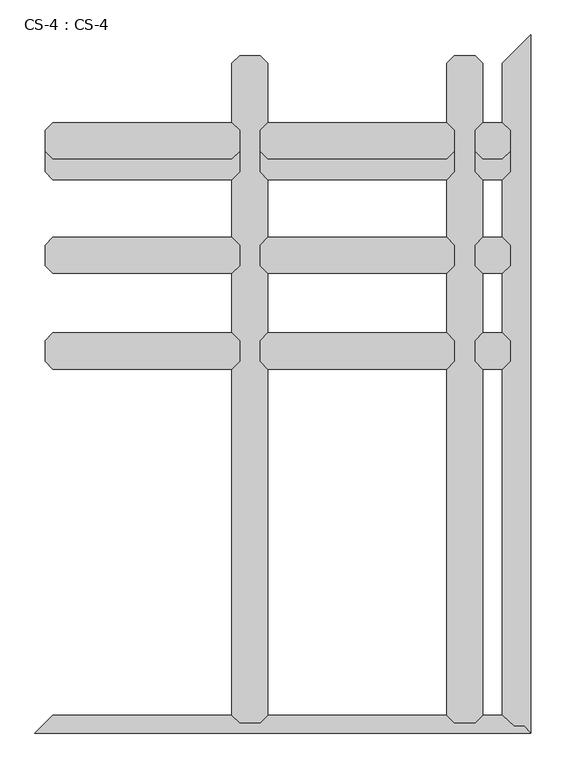
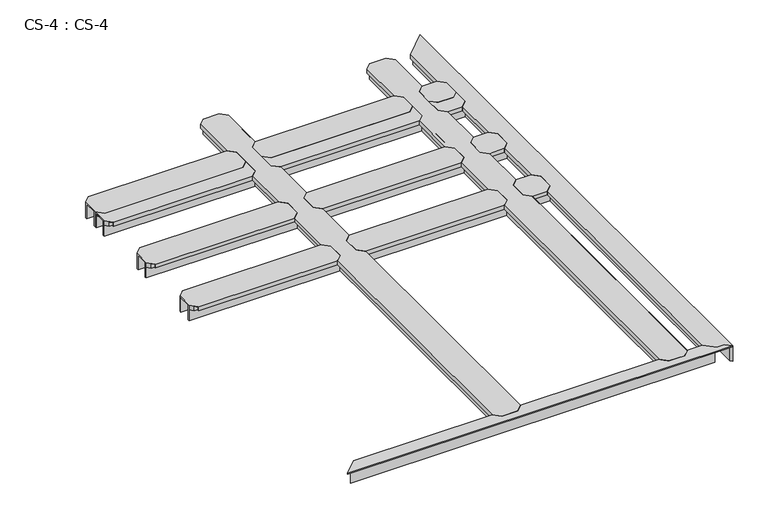
"""IFC4 building model written with IfcOpenShell, lengths in millimetres: proxy geometry, CS-4 : CS-4."""

from ifc_helpers import new_model, si_unit, origin, place, context, project, spatial, faceted_brep, source, transform, mapped, element, save


def cs_4_cs_4_f08a99d2(model_context):
    return source(origin(), model_context, "Body", "Brep", [
        faceted_brep([(1516.3803861, 1856.74, 46.355), (1516.3803861, 1856.74, 0.0), (1516.3803861, 1863.725, 0.0), (1516.3803861, 1863.725, 63.5), (1516.3803861, 1915.795, 63.5), (1516.3803861, 1915.795, 0.0), (1516.3803861, 1922.78, 0.0), (1516.3803861, 1922.78, 46.355), (1516.3803861, 1922.78, 66.675), (1516.3803861, 1856.74, 66.675), (1404.6202032, 1922.78, 46.355), (1404.6202032, 1922.78, 0.0), (1404.6202032, 1915.795, 0.0), (1404.6202032, 1915.795, 63.5), (1404.6202032, 1863.725, 63.5), (1404.6202032, 1863.725, 0.0), (1404.6202032, 1856.74, 0.0), (1404.6202032, 1856.74, 46.355), (1404.6202032, 1856.74, 66.675), (1404.6202032, 1922.78, 66.675), (1429.2582032, 1947.418, 66.675), (1491.7423861, 1947.418, 66.675), (1491.7423861, 1947.418, 49.8094), (1429.2582032, 1947.418, 49.8094), (1493.2663861, 1945.894, 49.8094), (1427.7342032, 1945.894, 49.8094), (1493.2663861, 1945.894, 64.643), (1427.7342032, 1945.894, 64.643), (1503.5533861, 1935.607, 64.643), (1417.4472032, 1935.607, 64.643), (1503.5533861, 1935.607, 46.355), (1417.4472032, 1935.607, 46.355), (1503.5533861, 1843.913, 46.355), (1417.4472032, 1843.913, 46.355), (1503.5533861, 1843.913, 64.643), (1417.4472032, 1843.913, 64.643), (1493.2663861, 1833.626, 64.643), (1427.7342032, 1833.626, 64.643), (1493.2663861, 1833.626, 49.8094), (1427.7342032, 1833.626, 49.8094), (1491.7423861, 1832.102, 49.8094), (1429.2582032, 1832.102, 49.8094), (1491.7423861, 1832.102, 66.675), (1429.2582032, 1832.102, 66.675)], [[[0, 1, 2, 3, 4, 5, 6, 7, 8, 9]], [[10, 11, 12, 13, 14, 15, 16, 17, 18, 19]], [[20, 21, 22, 23]], [[23, 22, 24, 25]], [[25, 24, 26, 27]], [[27, 26, 28, 29]], [[29, 28, 30, 31]], [[7, 10, 31, 30]], [[7, 6, 11, 10]], [[6, 5, 12, 11]], [[5, 4, 13, 12]], [[4, 3, 14, 13]], [[3, 2, 15, 14]], [[2, 1, 16, 15]], [[1, 0, 17, 16]], [[17, 0, 32, 33]], [[33, 32, 34, 35]], [[35, 34, 36, 37]], [[37, 36, 38, 39]], [[39, 38, 40, 41]], [[41, 40, 42, 43]], [[9, 8, 21, 20, 19, 18, 43, 42]], [[10, 19, 20, 23, 25, 27, 29, 31]], [[18, 17, 33, 35, 37, 39, 41, 43]], [[0, 9, 42, 40, 38, 36, 34, 32]], [[8, 7, 30, 28, 26, 24, 22, 21]]]),
        faceted_brep([(1338.5802032, 1856.74, 46.355), (1338.5802032, 1856.74, 0.0), (1338.5802032, 1863.725, 0.0), (1338.5802032, 1863.725, 63.5), (1338.5802032, 1915.795, 63.5), (1338.5802032, 1915.795, 0.0), (1338.5802032, 1922.78, 0.0), (1338.5802032, 1922.78, 46.355), (1338.5802032, 1922.78, 66.675), (1338.5802032, 1856.74, 66.675), (718.8201016, 1922.78, 46.355), (718.8201016, 1922.78, 0.0), (718.8201016, 1915.795, 0.0), (718.8201016, 1915.795, 63.5), (718.8201016, 1863.725, 63.5), (718.8201016, 1863.725, 0.0), (718.8201016, 1856.74, 0.0), (718.8201016, 1856.74, 46.355), (718.8201016, 1856.74, 66.675), (718.8201016, 1922.78, 66.675), (743.4581016, 1947.418, 66.675), (1313.9422032, 1947.418, 66.675), (1313.9422032, 1947.418, 49.8094), (743.4581016, 1947.418, 49.8094), (1315.4662032, 1945.894, 49.8094), (741.9341016, 1945.894, 49.8094), (1315.4662032, 1945.894, 64.643), (741.9341016, 1945.894, 64.643), (1325.7532032, 1935.607, 64.643), (731.6471016, 1935.607, 64.643), (1325.7532032, 1935.607, 46.355), (731.6471016, 1935.607, 46.355), (1325.7532032, 1843.913, 46.355), (731.6471016, 1843.913, 46.355), (1325.7532032, 1843.913, 64.643), (731.6471016, 1843.913, 64.643), (1315.4662032, 1833.626, 64.643), (741.9341016, 1833.626, 64.643), (1315.4662032, 1833.626, 49.8094), (741.9341016, 1833.626, 49.8094), (1313.9422032, 1832.102, 49.8094), (743.4581016, 1832.102, 49.8094), (1313.9422032, 1832.102, 66.675), (743.4581016, 1832.102, 66.675)], [[[0, 1, 2, 3, 4, 5, 6, 7, 8, 9]], [[10, 11, 12, 13, 14, 15, 16, 17, 18, 19]], [[20, 21, 22, 23]], [[23, 22, 24, 25]], [[25, 24, 26, 27]], [[27, 26, 28, 29]], [[29, 28, 30, 31]], [[7, 10, 31, 30]], [[7, 6, 11, 10]], [[6, 5, 12, 11]], [[5, 4, 13, 12]], [[4, 3, 14, 13]], [[3, 2, 15, 14]], [[2, 1, 16, 15]], [[1, 0, 17, 16]], [[17, 0, 32, 33]], [[33, 32, 34, 35]], [[35, 34, 36, 37]], [[37, 36, 38, 39]], [[39, 38, 40, 41]], [[41, 40, 42, 43]], [[9, 8, 21, 20, 19, 18, 43, 42]], [[10, 19, 20, 23, 25, 27, 29, 31]], [[18, 17, 33, 35, 37, 39, 41, 43]], [[0, 9, 42, 40, 38, 36, 34, 32]], [[8, 7, 30, 28, 26, 24, 22, 21]]]),
        faceted_brep([(652.7801016, 1856.74, 46.355), (652.7801016, 1856.74, 0.0), (652.7801016, 1863.725, 0.0), (652.7801016, 1863.725, 63.5), (652.7801016, 1915.795, 63.5), (652.7801016, 1915.795, 0.0), (652.7801016, 1922.78, 0.0), (652.7801016, 1922.78, 46.355), (652.7801016, 1922.78, 66.675), (652.7801016, 1856.74, 66.675), (33.02, 1922.78, 46.355), (33.02, 1922.78, 0.0), (33.02, 1915.795, 0.0), (33.02, 1915.795, 63.5), (33.02, 1863.725, 63.5), (33.02, 1863.725, 0.0), (33.02, 1856.74, 0.0), (33.02, 1856.74, 46.355), (33.02, 1856.74, 66.675), (33.02, 1922.78, 66.675), (57.658, 1947.418, 66.675), (628.1421016, 1947.418, 66.675), (628.1421016, 1947.418, 49.8094), (57.658, 1947.418, 49.8094), (629.6661016, 1945.894, 49.8094), (56.134, 1945.894, 49.8094), (629.6661016, 1945.894, 64.643), (56.134, 1945.894, 64.643), (639.9531016, 1935.607, 64.643), (45.847, 1935.607, 64.643), (639.9531016, 1935.607, 46.355), (45.847, 1935.607, 46.355), (639.9531016, 1843.913, 46.355), (45.847, 1843.913, 46.355), (639.9531016, 1843.913, 64.643), (45.847, 1843.913, 64.643), (629.6661016, 1833.626, 64.643), (56.134, 1833.626, 64.643), (629.6661016, 1833.626, 49.8094), (56.134, 1833.626, 49.8094), (628.1421016, 1832.102, 49.8094), (57.658, 1832.102, 49.8094), (628.1421016, 1832.102, 66.675), (57.658, 1832.102, 66.675)], [[[0, 1, 2, 3, 4, 5, 6, 7, 8, 9]], [[10, 11, 12, 13, 14, 15, 16, 17, 18, 19]], [[20, 21, 22, 23]], [[23, 22, 24, 25]], [[25, 24, 26, 27]], [[27, 26, 28, 29]], [[29, 28, 30, 31]], [[7, 10, 31, 30]], [[7, 6, 11, 10]], [[6, 5, 12, 11]], [[5, 4, 13, 12]], [[4, 3, 14, 13]], [[3, 2, 15, 14]], [[2, 1, 16, 15]], [[1, 0, 17, 16]], [[17, 0, 32, 33]], [[33, 32, 34, 35]], [[35, 34, 36, 37]], [[37, 36, 38, 39]], [[39, 38, 40, 41]], [[41, 40, 42, 43]], [[9, 8, 21, 20, 19, 18, 43, 42]], [[10, 19, 20, 23, 25, 27, 29, 31]], [[18, 17, 33, 35, 37, 39, 41, 43]], [[0, 9, 42, 40, 38, 36, 34, 32]], [[8, 7, 30, 28, 26, 24, 22, 21]]]),
        faceted_brep([(1516.3803861, 1790.7, 46.355), (1516.3803861, 1790.7, 0.0), (1516.3803861, 1797.685, 0.0), (1516.3803861, 1797.685, 63.5), (1516.3803861, 1849.755, 63.5), (1516.3803861, 1849.755, 0.0), (1516.3803861, 1856.74, 0.0), (1516.3803861, 1856.74, 46.355), (1516.3803861, 1856.74, 66.675), (1516.3803861, 1790.7, 66.675), (1404.6202032, 1856.74, 46.355), (1404.6202032, 1856.74, 0.0), (1404.6202032, 1849.755, 0.0), (1404.6202032, 1849.755, 63.5), (1404.6202032, 1797.685, 63.5), (1404.6202032, 1797.685, 0.0), (1404.6202032, 1790.7, 0.0), (1404.6202032, 1790.7, 46.355), (1404.6202032, 1790.7, 66.675), (1404.6202032, 1856.74, 66.675), (1429.2582032, 1881.378, 66.675), (1491.7423861, 1881.378, 66.675), (1491.7423861, 1881.378, 49.8094), (1429.2582032, 1881.378, 49.8094), (1493.2663861, 1879.854, 49.8094), (1427.7342032, 1879.854, 49.8094), (1493.2663861, 1879.854, 64.643), (1427.7342032, 1879.854, 64.643), (1503.5533861, 1869.567, 64.643), (1417.4472032, 1869.567, 64.643), (1503.5533861, 1869.567, 46.355), (1417.4472032, 1869.567, 46.355), (1503.5533861, 1777.873, 46.355), (1417.4472032, 1777.873, 46.355), (1503.5533861, 1777.873, 64.643), (1417.4472032, 1777.873, 64.643), (1493.2663861, 1767.586, 64.643), (1427.7342032, 1767.586, 64.643), (1493.2663861, 1767.586, 49.8094), (1427.7342032, 1767.586, 49.8094), (1491.7423861, 1766.062, 49.8094), (1429.2582032, 1766.062, 49.8094), (1491.7423861, 1766.062, 66.675), (1429.2582032, 1766.062, 66.675)], [[[0, 1, 2, 3, 4, 5, 6, 7, 8, 9]], [[10, 11, 12, 13, 14, 15, 16, 17, 18, 19]], [[20, 21, 22, 23]], [[23, 22, 24, 25]], [[25, 24, 26, 27]], [[27, 26, 28, 29]], [[29, 28, 30, 31]], [[7, 10, 31, 30]], [[7, 6, 11, 10]], [[6, 5, 12, 11]], [[5, 4, 13, 12]], [[4, 3, 14, 13]], [[3, 2, 15, 14]], [[2, 1, 16, 15]], [[1, 0, 17, 16]], [[17, 0, 32, 33]], [[33, 32, 34, 35]], [[35, 34, 36, 37]], [[37, 36, 38, 39]], [[39, 38, 40, 41]], [[41, 40, 42, 43]], [[9, 8, 21, 20, 19, 18, 43, 42]], [[10, 19, 20, 23, 25, 27, 29, 31]], [[18, 17, 33, 35, 37, 39, 41, 43]], [[0, 9, 42, 40, 38, 36, 34, 32]], [[8, 7, 30, 28, 26, 24, 22, 21]]]),
        faceted_brep([(1338.5802032, 1790.7, 46.355), (1338.5802032, 1790.7, 0.0), (1338.5802032, 1797.685, 0.0), (1338.5802032, 1797.685, 63.5), (1338.5802032, 1849.755, 63.5), (1338.5802032, 1849.755, 0.0), (1338.5802032, 1856.74, 0.0), (1338.5802032, 1856.74, 46.355), (1338.5802032, 1856.74, 66.675), (1338.5802032, 1790.7, 66.675), (718.8201016, 1856.74, 46.355), (718.8201016, 1856.74, 0.0), (718.8201016, 1849.755, 0.0), (718.8201016, 1849.755, 63.5), (718.8201016, 1797.685, 63.5), (718.8201016, 1797.685, 0.0), (718.8201016, 1790.7, 0.0), (718.8201016, 1790.7, 46.355), (718.8201016, 1790.7, 66.675), (718.8201016, 1856.74, 66.675), (743.4581016, 1881.378, 66.675), (1313.9422032, 1881.378, 66.675), (1313.9422032, 1881.378, 49.8094), (743.4581016, 1881.378, 49.8094), (1315.4662032, 1879.854, 49.8094), (741.9341016, 1879.854, 49.8094), (1315.4662032, 1879.854, 64.643), (741.9341016, 1879.854, 64.643), (1325.7532032, 1869.567, 64.643), (731.6471016, 1869.567, 64.643), (1325.7532032, 1869.567, 46.355), (731.6471016, 1869.567, 46.355), (1325.7532032, 1777.873, 46.355), (731.6471016, 1777.873, 46.355), (1325.7532032, 1777.873, 64.643), (731.6471016, 1777.873, 64.643), (1315.4662032, 1767.586, 64.643), (741.9341016, 1767.586, 64.643), (1315.4662032, 1767.586, 49.8094), (741.9341016, 1767.586, 49.8094), (1313.9422032, 1766.062, 49.8094), (743.4581016, 1766.062, 49.8094), (1313.9422032, 1766.062, 66.675), (743.4581016, 1766.062, 66.675)], [[[0, 1, 2, 3, 4, 5, 6, 7, 8, 9]], [[10, 11, 12, 13, 14, 15, 16, 17, 18, 19]], [[20, 21, 22, 23]], [[23, 22, 24, 25]], [[25, 24, 26, 27]], [[27, 26, 28, 29]], [[29, 28, 30, 31]], [[7, 10, 31, 30]], [[7, 6, 11, 10]], [[6, 5, 12, 11]], [[5, 4, 13, 12]], [[4, 3, 14, 13]], [[3, 2, 15, 14]], [[2, 1, 16, 15]], [[1, 0, 17, 16]], [[17, 0, 32, 33]], [[33, 32, 34, 35]], [[35, 34, 36, 37]], [[37, 36, 38, 39]], [[39, 38, 40, 41]], [[41, 40, 42, 43]], [[9, 8, 21, 20, 19, 18, 43, 42]], [[10, 19, 20, 23, 25, 27, 29, 31]], [[18, 17, 33, 35, 37, 39, 41, 43]], [[0, 9, 42, 40, 38, 36, 34, 32]], [[8, 7, 30, 28, 26, 24, 22, 21]]]),
        faceted_brep([(652.7801016, 1790.7, 46.355), (652.7801016, 1790.7, 0.0), (652.7801016, 1797.685, 0.0), (652.7801016, 1797.685, 63.5), (652.7801016, 1849.755, 63.5), (652.7801016, 1849.755, 0.0), (652.7801016, 1856.74, 0.0), (652.7801016, 1856.74, 46.355), (652.7801016, 1856.74, 66.675), (652.7801016, 1790.7, 66.675), (33.02, 1856.74, 46.355), (33.02, 1856.74, 0.0), (33.02, 1849.755, 0.0), (33.02, 1849.755, 63.5), (33.02, 1797.685, 63.5), (33.02, 1797.685, 0.0), (33.02, 1790.7, 0.0), (33.02, 1790.7, 46.355), (33.02, 1790.7, 66.675), (33.02, 1856.74, 66.675), (57.658, 1881.378, 66.675), (628.1421016, 1881.378, 66.675), (628.1421016, 1881.378, 49.8094), (57.658, 1881.378, 49.8094), (629.6661016, 1879.854, 49.8094), (56.134, 1879.854, 49.8094), (629.6661016, 1879.854, 64.643), (56.134, 1879.854, 64.643), (639.9531016, 1869.567, 64.643), (45.847, 1869.567, 64.643), (639.9531016, 1869.567, 46.355), (45.847, 1869.567, 46.355), (639.9531016, 1777.873, 46.355), (45.847, 1777.873, 46.355), (639.9531016, 1777.873, 64.643), (45.847, 1777.873, 64.643), (629.6661016, 1767.586, 64.643), (56.134, 1767.586, 64.643), (629.6661016, 1767.586, 49.8094), (56.134, 1767.586, 49.8094), (628.1421016, 1766.062, 49.8094), (57.658, 1766.062, 49.8094), (628.1421016, 1766.062, 66.675), (57.658, 1766.062, 66.675)], [[[0, 1, 2, 3, 4, 5, 6, 7, 8, 9]], [[10, 11, 12, 13, 14, 15, 16, 17, 18, 19]], [[20, 21, 22, 23]], [[23, 22, 24, 25]], [[25, 24, 26, 27]], [[27, 26, 28, 29]], [[29, 28, 30, 31]], [[7, 10, 31, 30]], [[7, 6, 11, 10]], [[6, 5, 12, 11]], [[5, 4, 13, 12]], [[4, 3, 14, 13]], [[3, 2, 15, 14]], [[2, 1, 16, 15]], [[1, 0, 17, 16]], [[17, 0, 32, 33]], [[33, 32, 34, 35]], [[35, 34, 36, 37]], [[37, 36, 38, 39]], [[39, 38, 40, 41]], [[41, 40, 42, 43]], [[9, 8, 21, 20, 19, 18, 43, 42]], [[10, 19, 20, 23, 25, 27, 29, 31]], [[18, 17, 33, 35, 37, 39, 41, 43]], [[0, 9, 42, 40, 38, 36, 34, 32]], [[8, 7, 30, 28, 26, 24, 22, 21]]]),
        faceted_brep([(1516.3803861, 1490.98, 46.355), (1516.3803861, 1490.98, 0.0), (1516.3803861, 1497.965, 0.0), (1516.3803861, 1497.965, 63.5), (1516.3803861, 1550.035, 63.5), (1516.3803861, 1550.035, 0.0), (1516.3803861, 1557.02, 0.0), (1516.3803861, 1557.02, 46.355), (1516.3803861, 1557.02, 66.675), (1516.3803861, 1490.98, 66.675), (1404.6202032, 1557.02, 46.355), (1404.6202032, 1557.02, 0.0), (1404.6202032, 1550.035, 0.0), (1404.6202032, 1550.035, 63.5), (1404.6202032, 1497.965, 63.5), (1404.6202032, 1497.965, 0.0), (1404.6202032, 1490.98, 0.0), (1404.6202032, 1490.98, 46.355), (1404.6202032, 1490.98, 66.675), (1404.6202032, 1557.02, 66.675), (1429.2582032, 1581.658, 66.675), (1491.7423861, 1581.658, 66.675), (1491.7423861, 1581.658, 49.8094), (1429.2582032, 1581.658, 49.8094), (1493.2663861, 1580.134, 49.8094), (1427.7342032, 1580.134, 49.8094), (1493.2663861, 1580.134, 64.643), (1427.7342032, 1580.134, 64.643), (1503.5533861, 1569.847, 64.643), (1417.4472032, 1569.847, 64.643), (1503.5533861, 1569.847, 46.355), (1417.4472032, 1569.847, 46.355), (1503.5533861, 1478.153, 46.355), (1417.4472032, 1478.153, 46.355), (1503.5533861, 1478.153, 64.643), (1417.4472032, 1478.153, 64.643), (1493.2663861, 1467.866, 64.643), (1427.7342032, 1467.866, 64.643), (1493.2663861, 1467.866, 49.8094), (1427.7342032, 1467.866, 49.8094), (1491.7423861, 1466.342, 49.8094), (1429.2582032, 1466.342, 49.8094), (1491.7423861, 1466.342, 66.675), (1429.2582032, 1466.342, 66.675)], [[[0, 1, 2, 3, 4, 5, 6, 7, 8, 9]], [[10, 11, 12, 13, 14, 15, 16, 17, 18, 19]], [[20, 21, 22, 23]], [[23, 22, 24, 25]], [[25, 24, 26, 27]], [[27, 26, 28, 29]], [[29, 28, 30, 31]], [[7, 10, 31, 30]], [[7, 6, 11, 10]], [[6, 5, 12, 11]], [[5, 4, 13, 12]], [[4, 3, 14, 13]], [[3, 2, 15, 14]], [[2, 1, 16, 15]], [[1, 0, 17, 16]], [[17, 0, 32, 33]], [[33, 32, 34, 35]], [[35, 34, 36, 37]], [[37, 36, 38, 39]], [[39, 38, 40, 41]], [[41, 40, 42, 43]], [[9, 8, 21, 20, 19, 18, 43, 42]], [[10, 19, 20, 23, 25, 27, 29, 31]], [[18, 17, 33, 35, 37, 39, 41, 43]], [[0, 9, 42, 40, 38, 36, 34, 32]], [[8, 7, 30, 28, 26, 24, 22, 21]]]),
        faceted_brep([(1338.5802032, 1490.98, 46.355), (1338.5802032, 1490.98, 0.0), (1338.5802032, 1497.965, 0.0), (1338.5802032, 1497.965, 63.5), (1338.5802032, 1550.035, 63.5), (1338.5802032, 1550.035, 0.0), (1338.5802032, 1557.02, 0.0), (1338.5802032, 1557.02, 46.355), (1338.5802032, 1557.02, 66.675), (1338.5802032, 1490.98, 66.675), (718.8201016, 1557.02, 46.355), (718.8201016, 1557.02, 0.0), (718.8201016, 1550.035, 0.0), (718.8201016, 1550.035, 63.5), (718.8201016, 1497.965, 63.5), (718.8201016, 1497.965, 0.0), (718.8201016, 1490.98, 0.0), (718.8201016, 1490.98, 46.355), (718.8201016, 1490.98, 66.675), (718.8201016, 1557.02, 66.675), (743.4581016, 1581.658, 66.675), (1313.9422032, 1581.658, 66.675), (1313.9422032, 1581.658, 49.8094), (743.4581016, 1581.658, 49.8094), (1315.4662032, 1580.134, 49.8094), (741.9341016, 1580.134, 49.8094), (1315.4662032, 1580.134, 64.643), (741.9341016, 1580.134, 64.643), (1325.7532032, 1569.847, 64.643), (731.6471016, 1569.847, 64.643), (1325.7532032, 1569.847, 46.355), (731.6471016, 1569.847, 46.355), (1325.7532032, 1478.153, 46.355), (731.6471016, 1478.153, 46.355), (1325.7532032, 1478.153, 64.643), (731.6471016, 1478.153, 64.643), (1315.4662032, 1467.866, 64.643), (741.9341016, 1467.866, 64.643), (1315.4662032, 1467.866, 49.8094), (741.9341016, 1467.866, 49.8094), (1313.9422032, 1466.342, 49.8094), (743.4581016, 1466.342, 49.8094), (1313.9422032, 1466.342, 66.675), (743.4581016, 1466.342, 66.675)], [[[0, 1, 2, 3, 4, 5, 6, 7, 8, 9]], [[10, 11, 12, 13, 14, 15, 16, 17, 18, 19]], [[20, 21, 22, 23]], [[23, 22, 24, 25]], [[25, 24, 26, 27]], [[27, 26, 28, 29]], [[29, 28, 30, 31]], [[7, 10, 31, 30]], [[7, 6, 11, 10]], [[6, 5, 12, 11]], [[5, 4, 13, 12]], [[4, 3, 14, 13]], [[3, 2, 15, 14]], [[2, 1, 16, 15]], [[1, 0, 17, 16]], [[17, 0, 32, 33]], [[33, 32, 34, 35]], [[35, 34, 36, 37]], [[37, 36, 38, 39]], [[39, 38, 40, 41]], [[41, 40, 42, 43]], [[9, 8, 21, 20, 19, 18, 43, 42]], [[10, 19, 20, 23, 25, 27, 29, 31]], [[18, 17, 33, 35, 37, 39, 41, 43]], [[0, 9, 42, 40, 38, 36, 34, 32]], [[8, 7, 30, 28, 26, 24, 22, 21]]]),
        faceted_brep([(652.7801016, 1490.98, 46.355), (652.7801016, 1490.98, 0.0), (652.7801016, 1497.965, 0.0), (652.7801016, 1497.965, 63.5), (652.7801016, 1550.035, 63.5), (652.7801016, 1550.035, 0.0), (652.7801016, 1557.02, 0.0), (652.7801016, 1557.02, 46.355), (652.7801016, 1557.02, 66.675), (652.7801016, 1490.98, 66.675), (33.02, 1557.02, 46.355), (33.02, 1557.02, 0.0), (33.02, 1550.035, 0.0), (33.02, 1550.035, 63.5), (33.02, 1497.965, 63.5), (33.02, 1497.965, 0.0), (33.02, 1490.98, 0.0), (33.02, 1490.98, 46.355), (33.02, 1490.98, 66.675), (33.02, 1557.02, 66.675), (57.658, 1581.658, 66.675), (628.1421016, 1581.658, 66.675), (628.1421016, 1581.658, 49.8094), (57.658, 1581.658, 49.8094), (629.6661016, 1580.134, 49.8094), (56.134, 1580.134, 49.8094), (629.6661016, 1580.134, 64.643), (56.134, 1580.134, 64.643), (639.9531016, 1569.847, 64.643), (45.847, 1569.847, 64.643), (639.9531016, 1569.847, 46.355), (45.847, 1569.847, 46.355), (639.9531016, 1478.153, 46.355), (45.847, 1478.153, 46.355), (639.9531016, 1478.153, 64.643), (45.847, 1478.153, 64.643), (629.6661016, 1467.866, 64.643), (56.134, 1467.866, 64.643), (629.6661016, 1467.866, 49.8094), (56.134, 1467.866, 49.8094), (628.1421016, 1466.342, 49.8094), (57.658, 1466.342, 49.8094), (628.1421016, 1466.342, 66.675), (57.658, 1466.342, 66.675)], [[[0, 1, 2, 3, 4, 5, 6, 7, 8, 9]], [[10, 11, 12, 13, 14, 15, 16, 17, 18, 19]], [[20, 21, 22, 23]], [[23, 22, 24, 25]], [[25, 24, 26, 27]], [[27, 26, 28, 29]], [[29, 28, 30, 31]], [[7, 10, 31, 30]], [[7, 6, 11, 10]], [[6, 5, 12, 11]], [[5, 4, 13, 12]], [[4, 3, 14, 13]], [[3, 2, 15, 14]], [[2, 1, 16, 15]], [[1, 0, 17, 16]], [[17, 0, 32, 33]], [[33, 32, 34, 35]], [[35, 34, 36, 37]], [[37, 36, 38, 39]], [[39, 38, 40, 41]], [[41, 40, 42, 43]], [[9, 8, 21, 20, 19, 18, 43, 42]], [[10, 19, 20, 23, 25, 27, 29, 31]], [[18, 17, 33, 35, 37, 39, 41, 43]], [[0, 9, 42, 40, 38, 36, 34, 32]], [[8, 7, 30, 28, 26, 24, 22, 21]]]),
        faceted_brep([(1516.3803861, 1186.1800292, 46.355), (1516.3803861, 1186.1800292, 0.0), (1516.3803861, 1193.1650292, 0.0), (1516.3803861, 1193.1650292, 63.5), (1516.3803861, 1245.2350292, 63.5), (1516.3803861, 1245.2350292, 0.0), (1516.3803861, 1252.2200292, 0.0), (1516.3803861, 1252.2200292, 46.355), (1516.3803861, 1252.2200292, 66.675), (1516.3803861, 1186.1800292, 66.675), (1404.6202032, 1252.2200292, 46.355), (1404.6202032, 1252.2200292, 0.0), (1404.6202032, 1245.2350292, 0.0), (1404.6202032, 1245.2350292, 63.5), (1404.6202032, 1193.1650292, 63.5), (1404.6202032, 1193.1650292, 0.0), (1404.6202032, 1186.1800292, 0.0), (1404.6202032, 1186.1800292, 46.355), (1404.6202032, 1186.1800292, 66.675), (1404.6202032, 1252.2200292, 66.675), (1429.2582032, 1276.8580292, 66.675), (1491.7423861, 1276.8580292, 66.675), (1491.7423861, 1276.8580292, 49.8094), (1429.2582032, 1276.8580292, 49.8094), (1493.2663861, 1275.3340292, 49.8094), (1427.7342032, 1275.3340292, 49.8094), (1493.2663861, 1275.3340292, 64.643), (1427.7342032, 1275.3340292, 64.643), (1503.5533861, 1265.0470292, 64.643), (1417.4472032, 1265.0470292, 64.643), (1503.5533861, 1265.0470292, 46.355), (1417.4472032, 1265.0470292, 46.355), (1503.5533861, 1173.3530292, 46.355), (1417.4472032, 1173.3530292, 46.355), (1503.5533861, 1173.3530292, 64.643), (1417.4472032, 1173.3530292, 64.643), (1493.2663861, 1163.0660292, 64.643), (1427.7342032, 1163.0660292, 64.643), (1493.2663861, 1163.0660292, 49.8094), (1427.7342032, 1163.0660292, 49.8094), (1491.7423861, 1161.5420292, 49.8094), (1429.2582032, 1161.5420292, 49.8094), (1491.7423861, 1161.5420292, 66.675), (1429.2582032, 1161.5420292, 66.675)], [[[0, 1, 2, 3, 4, 5, 6, 7, 8, 9]], [[10, 11, 12, 13, 14, 15, 16, 17, 18, 19]], [[20, 21, 22, 23]], [[23, 22, 24, 25]], [[25, 24, 26, 27]], [[27, 26, 28, 29]], [[29, 28, 30, 31]], [[7, 10, 31, 30]], [[7, 6, 11, 10]], [[6, 5, 12, 11]], [[5, 4, 13, 12]], [[4, 3, 14, 13]], [[3, 2, 15, 14]], [[2, 1, 16, 15]], [[1, 0, 17, 16]], [[17, 0, 32, 33]], [[33, 32, 34, 35]], [[35, 34, 36, 37]], [[37, 36, 38, 39]], [[39, 38, 40, 41]], [[41, 40, 42, 43]], [[9, 8, 21, 20, 19, 18, 43, 42]], [[10, 19, 20, 23, 25, 27, 29, 31]], [[18, 17, 33, 35, 37, 39, 41, 43]], [[0, 9, 42, 40, 38, 36, 34, 32]], [[8, 7, 30, 28, 26, 24, 22, 21]]]),
        faceted_brep([(1338.5802032, 1186.1800292, 46.355), (1338.5802032, 1186.1800292, 0.0), (1338.5802032, 1193.1650292, 0.0), (1338.5802032, 1193.1650292, 63.5), (1338.5802032, 1245.2350292, 63.5), (1338.5802032, 1245.2350292, 0.0), (1338.5802032, 1252.2200292, 0.0), (1338.5802032, 1252.2200292, 46.355), (1338.5802032, 1252.2200292, 66.675), (1338.5802032, 1186.1800292, 66.675), (718.8201016, 1252.2200292, 46.355), (718.8201016, 1252.2200292, 0.0), (718.8201016, 1245.2350292, 0.0), (718.8201016, 1245.2350292, 63.5), (718.8201016, 1193.1650292, 63.5), (718.8201016, 1193.1650292, 0.0), (718.8201016, 1186.1800292, 0.0), (718.8201016, 1186.1800292, 46.355), (718.8201016, 1186.1800292, 66.675), (718.8201016, 1252.2200292, 66.675), (743.4581016, 1276.8580292, 66.675), (1313.9422032, 1276.8580292, 66.675), (1313.9422032, 1276.8580292, 49.8094), (743.4581016, 1276.8580292, 49.8094), (1315.4662032, 1275.3340292, 49.8094), (741.9341016, 1275.3340292, 49.8094), (1315.4662032, 1275.3340292, 64.643), (741.9341016, 1275.3340292, 64.643), (1325.7532032, 1265.0470292, 64.643), (731.6471016, 1265.0470292, 64.643), (1325.7532032, 1265.0470292, 46.355), (731.6471016, 1265.0470292, 46.355), (1325.7532032, 1173.3530292, 46.355), (731.6471016, 1173.3530292, 46.355), (1325.7532032, 1173.3530292, 64.643), (731.6471016, 1173.3530292, 64.643), (1315.4662032, 1163.0660292, 64.643), (741.9341016, 1163.0660292, 64.643), (1315.4662032, 1163.0660292, 49.8094), (741.9341016, 1163.0660292, 49.8094), (1313.9422032, 1161.5420292, 49.8094), (743.4581016, 1161.5420292, 49.8094), (1313.9422032, 1161.5420292, 66.675), (743.4581016, 1161.5420292, 66.675)], [[[0, 1, 2, 3, 4, 5, 6, 7, 8, 9]], [[10, 11, 12, 13, 14, 15, 16, 17, 18, 19]], [[20, 21, 22, 23]], [[23, 22, 24, 25]], [[25, 24, 26, 27]], [[27, 26, 28, 29]], [[29, 28, 30, 31]], [[7, 10, 31, 30]], [[7, 6, 11, 10]], [[6, 5, 12, 11]], [[5, 4, 13, 12]], [[4, 3, 14, 13]], [[3, 2, 15, 14]], [[2, 1, 16, 15]], [[1, 0, 17, 16]], [[17, 0, 32, 33]], [[33, 32, 34, 35]], [[35, 34, 36, 37]], [[37, 36, 38, 39]], [[39, 38, 40, 41]], [[41, 40, 42, 43]], [[9, 8, 21, 20, 19, 18, 43, 42]], [[10, 19, 20, 23, 25, 27, 29, 31]], [[18, 17, 33, 35, 37, 39, 41, 43]], [[0, 9, 42, 40, 38, 36, 34, 32]], [[8, 7, 30, 28, 26, 24, 22, 21]]]),
        faceted_brep([(652.7801016, 1186.1800292, 46.355), (652.7801016, 1186.1800292, 0.0), (652.7801016, 1193.1650292, 0.0), (652.7801016, 1193.1650292, 63.5), (652.7801016, 1245.2350292, 63.5), (652.7801016, 1245.2350292, 0.0), (652.7801016, 1252.2200292, 0.0), (652.7801016, 1252.2200292, 46.355), (652.7801016, 1252.2200292, 66.675), (652.7801016, 1186.1800292, 66.675), (33.02, 1252.2200292, 46.355), (33.02, 1252.2200292, 0.0), (33.02, 1245.2350292, 0.0), (33.02, 1245.2350292, 63.5), (33.02, 1193.1650292, 63.5), (33.02, 1193.1650292, 0.0), (33.02, 1186.1800292, 0.0), (33.02, 1186.1800292, 46.355), (33.02, 1186.1800292, 66.675), (33.02, 1252.2200292, 66.675), (57.658, 1276.8580292, 66.675), (628.1421016, 1276.8580292, 66.675), (628.1421016, 1276.8580292, 49.8094), (57.658, 1276.8580292, 49.8094), (629.6661016, 1275.3340292, 49.8094), (56.134, 1275.3340292, 49.8094), (629.6661016, 1275.3340292, 64.643), (56.134, 1275.3340292, 64.643), (639.9531016, 1265.0470292, 64.643), (45.847, 1265.0470292, 64.643), (639.9531016, 1265.0470292, 46.355), (45.847, 1265.0470292, 46.355), (639.9531016, 1173.3530292, 46.355), (45.847, 1173.3530292, 46.355), (639.9531016, 1173.3530292, 64.643), (45.847, 1173.3530292, 64.643), (629.6661016, 1163.0660292, 64.643), (56.134, 1163.0660292, 64.643), (629.6661016, 1163.0660292, 49.8094), (56.134, 1163.0660292, 49.8094), (628.1421016, 1161.5420292, 49.8094), (57.658, 1161.5420292, 49.8094), (628.1421016, 1161.5420292, 66.675), (57.658, 1161.5420292, 66.675)], [[[0, 1, 2, 3, 4, 5, 6, 7, 8, 9]], [[10, 11, 12, 13, 14, 15, 16, 17, 18, 19]], [[20, 21, 22, 23]], [[23, 22, 24, 25]], [[25, 24, 26, 27]], [[27, 26, 28, 29]], [[29, 28, 30, 31]], [[7, 10, 31, 30]], [[7, 6, 11, 10]], [[6, 5, 12, 11]], [[5, 4, 13, 12]], [[4, 3, 14, 13]], [[3, 2, 15, 14]], [[2, 1, 16, 15]], [[1, 0, 17, 16]], [[17, 0, 32, 33]], [[33, 32, 34, 35]], [[35, 34, 36, 37]], [[37, 36, 38, 39]], [[39, 38, 40, 41]], [[41, 40, 42, 43]], [[9, 8, 21, 20, 19, 18, 43, 42]], [[10, 19, 20, 23, 25, 27, 29, 31]], [[18, 17, 33, 35, 37, 39, 41, 43]], [[0, 9, 42, 40, 38, 36, 34, 32]], [[8, 7, 30, 28, 26, 24, 22, 21]]]),
        faceted_brep([(1404.6202032, 2161.54, 46.355), (1404.6202032, 2161.54, 0.0), (1397.6352032, 2161.54, 0.0), (1397.6352032, 2161.54, 63.5), (1345.5652032, 2161.54, 63.5), (1345.5652032, 2161.54, 0.0), (1338.5802032, 2161.54, 0.0), (1338.5802032, 2161.54, 46.355), (1338.5802032, 2161.54, 66.675), (1404.6202032, 2161.54, 66.675), (1338.5802032, 33.02, 46.355), (1338.5802032, 33.02, 0.0), (1345.5652032, 33.02, 0.0), (1345.5652032, 33.02, 63.5), (1397.6352032, 33.02, 63.5), (1397.6352032, 33.02, 0.0), (1404.6202032, 33.02, 0.0), (1404.6202032, 33.02, 46.355), (1404.6202032, 33.02, 66.675), (1338.5802032, 33.02, 66.675), (1313.9422032, 57.658, 49.8094), (1313.9422032, 57.658, 66.675), (1313.9422032, 1161.542, 66.675), (1313.9422032, 1161.542, 49.8094), (1313.9422032, 2136.902, 66.675), (1313.9422032, 2136.902, 49.8094), (1313.9422032, 1947.418, 49.8094), (1313.9422032, 1947.418, 66.675), (1313.9422032, 1276.858, 49.8094), (1313.9422032, 1276.858, 66.675), (1313.9422032, 1466.342, 66.675), (1313.9422032, 1466.342, 49.8094), (1313.9422032, 1581.658, 49.8094), (1313.9422032, 1581.658, 66.675), (1313.9422032, 1766.062, 66.675), (1313.9422032, 1766.062, 49.8094), (1315.4662032, 56.134, 49.8094), (1315.4662032, 1163.066, 49.8094), (1315.4662032, 2138.426, 49.8094), (1315.4662032, 1945.894, 49.8094), (1315.4662032, 1275.334, 49.8094), (1315.4662032, 1467.866, 49.8094), (1315.4662032, 1580.134, 49.8094), (1315.4662032, 1767.586, 49.8094), (1315.4662032, 56.134, 64.643), (1315.4662032, 1163.066, 64.643), (1315.4662032, 2138.426, 64.643), (1315.4662032, 1945.894, 64.643), (1315.4662032, 1275.334, 64.643), (1315.4662032, 1467.866, 64.643), (1315.4662032, 1580.134, 64.643), (1315.4662032, 1767.586, 64.643), (1325.7532032, 45.847, 64.643), (1325.7532032, 1173.353, 64.643), (1325.7532032, 2148.713, 64.643), (1325.7532032, 1935.607, 64.643), (1325.7532032, 1265.047, 64.643), (1325.7532032, 1478.153, 64.643), (1325.7532032, 1569.847, 64.643), (1325.7532032, 1777.873, 64.643), (1325.7532032, 45.847, 46.355), (1325.7532032, 1173.353, 46.355), (1325.7532032, 2148.713, 46.355), (1325.7532032, 1935.607, 46.355), (1325.7532032, 1265.047, 46.355), (1325.7532032, 1478.153, 46.355), (1325.7532032, 1569.847, 46.355), (1325.7532032, 1777.873, 46.355), (1338.5802032, 1186.18, 46.355), (1338.5802032, 1922.78, 46.355), (1338.5802032, 1252.22, 46.355), (1338.5802032, 1490.98, 46.355), (1338.5802032, 1557.02, 46.355), (1338.5802032, 1790.7, 46.355), (1338.5802032, 1186.18, 66.675), (1338.5802032, 1252.22, 66.675), (1338.5802032, 1490.98, 66.675), (1338.5802032, 1557.02, 66.675), (1338.5802032, 1790.7, 66.675), (1338.5802032, 1922.78, 66.675), (1404.6202032, 1922.78, 46.355), (1404.6202032, 1922.78, 66.675), (1404.6202032, 1790.7, 66.675), (1404.6202032, 1790.7, 46.355), (1404.6202032, 1557.02, 46.355), (1404.6202032, 1557.02, 66.675), (1404.6202032, 1490.98, 66.675), (1404.6202032, 1490.98, 46.355), (1404.6202032, 1252.2200292, 46.355), (1404.6202032, 1252.2200292, 66.675), (1404.6202032, 1186.18, 66.675), (1404.6202032, 1186.18, 46.355), (1417.4472032, 45.847, 46.355), (1417.4472032, 1173.3530152, 46.355), (1417.4472032, 2148.713, 46.355), (1417.4472032, 1935.607, 46.355), (1417.4472032, 1265.0470292, 46.355), (1417.4472032, 1478.153, 46.355), (1417.4472032, 1569.847, 46.355), (1417.4472032, 1777.873, 46.355), (1417.4472032, 45.847, 64.643), (1417.4472032, 1173.3530152, 64.643), (1417.4472032, 2148.713, 64.643), (1417.4472032, 1935.607, 64.643), (1417.4472032, 1265.0470292, 64.643), (1417.4472032, 1478.153, 64.643), (1417.4472032, 1569.847, 64.643), (1417.4472032, 1777.873, 64.643), (1427.7342032, 56.134, 64.643), (1427.7342032, 1163.0660274, 64.643), (1427.7342032, 2138.426, 64.643), (1427.7342032, 1945.894, 64.643), (1427.7342032, 1275.3340292, 64.643), (1427.7342032, 1467.866, 64.643), (1427.7342032, 1580.134, 64.643), (1427.7342032, 1767.586, 64.643), (1427.7342032, 56.134, 49.8094), (1427.7342032, 1163.0660274, 49.8094), (1427.7342032, 2138.426, 49.8094), (1427.7342032, 1945.894, 49.8094), (1427.7342032, 1275.3340292, 49.8094), (1427.7342032, 1467.866, 49.8094), (1427.7342032, 1580.134, 49.8094), (1427.7342032, 1767.586, 49.8094), (1429.2582032, 57.658, 49.8094), (1429.2582032, 1161.5420292, 49.8094), (1429.2582032, 2136.902, 49.8094), (1429.2582032, 1947.418, 49.8094), (1429.2582032, 1276.8580292, 49.8094), (1429.2582032, 1466.342, 49.8094), (1429.2582032, 1581.658, 49.8094), (1429.2582032, 1766.062, 49.8094), (1429.2582032, 57.658, 66.675), (1429.2582032, 1161.5420292, 66.675), (1429.2582032, 2136.902, 66.675), (1429.2582032, 1947.418, 66.675), (1429.2582032, 1276.8580292, 66.675), (1429.2582032, 1466.342, 66.675), (1429.2582032, 1581.658, 66.675), (1429.2582032, 1766.062, 66.675)], [[[0, 1, 2, 3, 4, 5, 6, 7, 8, 9]], [[10, 11, 12, 13, 14, 15, 16, 17, 18, 19]], [[20, 21, 22, 23]], [[24, 25, 26, 27]], [[28, 29, 30, 31]], [[32, 33, 34, 35]], [[36, 20, 23, 37]], [[25, 38, 39, 26]], [[40, 28, 31, 41]], [[42, 32, 35, 43]], [[44, 36, 37, 45]], [[38, 46, 47, 39]], [[48, 40, 41, 49]], [[50, 42, 43, 51]], [[52, 44, 45, 53]], [[46, 54, 55, 47]], [[56, 48, 49, 57]], [[58, 50, 51, 59]], [[60, 52, 53, 61]], [[54, 62, 63, 55]], [[64, 56, 57, 65]], [[66, 58, 59, 67]], [[10, 60, 61, 68]], [[62, 7, 69, 63]], [[70, 64, 65, 71]], [[72, 66, 67, 73]], [[7, 6, 11, 10, 68, 74, 75, 70, 71, 76, 77, 72, 73, 78, 79, 69]], [[6, 5, 12, 11]], [[5, 4, 13, 12]], [[4, 3, 14, 13]], [[3, 2, 15, 14]], [[2, 1, 16, 15]], [[1, 0, 80, 81, 82, 83, 84, 85, 86, 87, 88, 89, 90, 91, 17, 16]], [[92, 17, 91, 93]], [[0, 94, 95, 80]], [[96, 88, 87, 97]], [[98, 84, 83, 99]], [[100, 92, 93, 101]], [[94, 102, 103, 95]], [[104, 96, 97, 105]], [[106, 98, 99, 107]], [[108, 100, 101, 109]], [[102, 110, 111, 103]], [[112, 104, 105, 113]], [[114, 106, 107, 115]], [[116, 108, 109, 117]], [[110, 118, 119, 111]], [[120, 112, 113, 121]], [[122, 114, 115, 123]], [[124, 116, 117, 125]], [[118, 126, 127, 119]], [[128, 120, 121, 129]], [[130, 122, 123, 131]], [[132, 124, 125, 133]], [[126, 134, 135, 127]], [[136, 128, 129, 137]], [[138, 130, 131, 139]], [[9, 8, 24, 27, 79, 78, 34, 33, 77, 76, 30, 29, 75, 74, 22, 21, 19, 18, 132, 133, 90, 89, 136, 137, 86, 85, 138, 139, 82, 81, 135, 134]], [[10, 19, 21, 20, 36, 44, 52, 60]], [[18, 17, 92, 100, 108, 116, 124, 132]], [[0, 9, 134, 126, 118, 110, 102, 94]], [[8, 7, 62, 54, 46, 38, 25, 24]], [[74, 68, 61, 53, 45, 37, 23, 22]], [[70, 75, 29, 28, 40, 48, 56, 64]], [[76, 71, 65, 57, 49, 41, 31, 30]], [[72, 77, 33, 32, 42, 50, 58, 66]], [[78, 73, 67, 59, 51, 43, 35, 34]], [[69, 79, 27, 26, 39, 47, 55, 63]], [[89, 88, 96, 104, 112, 120, 128, 136]], [[91, 90, 133, 125, 117, 109, 101, 93]], [[85, 84, 98, 106, 114, 122, 130, 138]], [[87, 86, 137, 129, 121, 113, 105, 97]], [[83, 82, 139, 131, 123, 115, 107, 99]], [[81, 80, 95, 103, 111, 119, 127, 135]]]),
        faceted_brep([(718.8201016, 2161.54, 46.355), (718.8201016, 2161.54, 0.0), (711.8351016, 2161.54, 0.0), (711.8351016, 2161.54, 63.5), (659.7651016, 2161.54, 63.5), (659.7651016, 2161.54, 0.0), (652.7801016, 2161.54, 0.0), (652.7801016, 2161.54, 46.355), (652.7801016, 2161.54, 66.675), (718.8201016, 2161.54, 66.675), (652.7801016, 33.02, 46.355), (652.7801016, 33.02, 0.0), (659.7651016, 33.02, 0.0), (659.7651016, 33.02, 63.5), (711.8351016, 33.02, 63.5), (711.8351016, 33.02, 0.0), (718.8201016, 33.02, 0.0), (718.8201016, 33.02, 46.355), (718.8201016, 33.02, 66.675), (652.7801016, 33.02, 66.675), (628.1421016, 57.658, 49.8094), (628.1421016, 57.658, 66.675), (628.1421016, 1161.542, 66.675), (628.1421016, 1161.542, 49.8094), (628.1421016, 2136.902, 66.675), (628.1421016, 2136.902, 49.8094), (628.1421016, 1947.418, 49.8094), (628.1421016, 1947.418, 66.675), (628.1421016, 1276.858, 49.8094), (628.1421016, 1276.858, 66.675), (628.1421016, 1466.342, 66.675), (628.1421016, 1466.342, 49.8094), (628.1421016, 1581.658, 49.8094), (628.1421016, 1581.658, 66.675), (628.1421016, 1766.062, 66.675), (628.1421016, 1766.062, 49.8094), (629.6661016, 56.134, 49.8094), (629.6661016, 1163.066, 49.8094), (629.6661016, 2138.426, 49.8094), (629.6661016, 1945.894, 49.8094), (629.6661016, 1275.334, 49.8094), (629.6661016, 1467.866, 49.8094), (629.6661016, 1580.134, 49.8094), (629.6661016, 1767.586, 49.8094), (629.6661016, 56.134, 64.643), (629.6661016, 1163.066, 64.643), (629.6661016, 2138.426, 64.643), (629.6661016, 1945.894, 64.643), (629.6661016, 1275.334, 64.643), (629.6661016, 1467.866, 64.643), (629.6661016, 1580.134, 64.643), (629.6661016, 1767.586, 64.643), (639.9531016, 45.847, 64.643), (639.9531016, 1173.353, 64.643), (639.9531016, 2148.713, 64.643), (639.9531016, 1935.607, 64.643), (639.9531016, 1265.047, 64.643), (639.9531016, 1478.153, 64.643), (639.9531016, 1569.847, 64.643), (639.9531016, 1777.873, 64.643), (639.9531016, 45.847, 46.355), (639.9531016, 1173.353, 46.355), (639.9531016, 2148.713, 46.355), (639.9531016, 1935.607, 46.355), (639.9531016, 1265.047, 46.355), (639.9531016, 1478.153, 46.355), (639.9531016, 1569.847, 46.355), (639.9531016, 1777.873, 46.355), (652.7801016, 1186.18, 46.355), (652.7801016, 1922.78, 46.355), (652.7801016, 1252.22, 46.355), (652.7801016, 1490.98, 46.355), (652.7801016, 1557.02, 46.355), (652.7801016, 1790.7, 46.355), (652.7801016, 1186.18, 66.675), (652.7801016, 1252.22, 66.675), (652.7801016, 1490.98, 66.675), (652.7801016, 1557.02, 66.675), (652.7801016, 1790.7, 66.675), (652.7801016, 1922.78, 66.675), (718.8201016, 1922.78, 46.355), (718.8201016, 1922.78, 66.675), (718.8201016, 1790.7, 66.675), (718.8201016, 1790.7, 46.355), (718.8201016, 1557.02, 46.355), (718.8201016, 1557.02, 66.675), (718.8201016, 1490.98, 66.675), (718.8201016, 1490.98, 46.355), (718.8201016, 1252.2200292, 46.355), (718.8201016, 1252.2200292, 66.675), (718.8201016, 1186.18, 66.675), (718.8201016, 1186.18, 46.355), (731.6471016, 45.847, 46.355), (731.6471016, 1173.3530152, 46.355), (731.6471016, 2148.713, 46.355), (731.6471016, 1935.607, 46.355), (731.6471016, 1265.0470292, 46.355), (731.6471016, 1478.153, 46.355), (731.6471016, 1569.847, 46.355), (731.6471016, 1777.873, 46.355), (731.6471016, 45.847, 64.643), (731.6471016, 1173.3530152, 64.643), (731.6471016, 2148.713, 64.643), (731.6471016, 1935.607, 64.643), (731.6471016, 1265.0470292, 64.643), (731.6471016, 1478.153, 64.643), (731.6471016, 1569.847, 64.643), (731.6471016, 1777.873, 64.643), (741.9341016, 56.134, 64.643), (741.9341016, 1163.0660274, 64.643), (741.9341016, 2138.426, 64.643), (741.9341016, 1945.894, 64.643), (741.9341016, 1275.3340292, 64.643), (741.9341016, 1467.866, 64.643), (741.9341016, 1580.134, 64.643), (741.9341016, 1767.586, 64.643), (741.9341016, 56.134, 49.8094), (741.9341016, 1163.0660274, 49.8094), (741.9341016, 2138.426, 49.8094), (741.9341016, 1945.894, 49.8094), (741.9341016, 1275.3340292, 49.8094), (741.9341016, 1467.866, 49.8094), (741.9341016, 1580.134, 49.8094), (741.9341016, 1767.586, 49.8094), (743.4581016, 57.658, 49.8094), (743.4581016, 1161.5420292, 49.8094), (743.4581016, 2136.902, 49.8094), (743.4581016, 1947.418, 49.8094), (743.4581016, 1276.8580292, 49.8094), (743.4581016, 1466.342, 49.8094), (743.4581016, 1581.658, 49.8094), (743.4581016, 1766.062, 49.8094), (743.4581016, 57.658, 66.675), (743.4581016, 1161.5420292, 66.675), (743.4581016, 2136.902, 66.675), (743.4581016, 1947.418, 66.675), (743.4581016, 1276.8580292, 66.675), (743.4581016, 1466.342, 66.675), (743.4581016, 1581.658, 66.675), (743.4581016, 1766.062, 66.675)], [[[0, 1, 2, 3, 4, 5, 6, 7, 8, 9]], [[10, 11, 12, 13, 14, 15, 16, 17, 18, 19]], [[20, 21, 22, 23]], [[24, 25, 26, 27]], [[28, 29, 30, 31]], [[32, 33, 34, 35]], [[36, 20, 23, 37]], [[25, 38, 39, 26]], [[40, 28, 31, 41]], [[42, 32, 35, 43]], [[44, 36, 37, 45]], [[38, 46, 47, 39]], [[48, 40, 41, 49]], [[50, 42, 43, 51]], [[52, 44, 45, 53]], [[46, 54, 55, 47]], [[56, 48, 49, 57]], [[58, 50, 51, 59]], [[60, 52, 53, 61]], [[54, 62, 63, 55]], [[64, 56, 57, 65]], [[66, 58, 59, 67]], [[10, 60, 61, 68]], [[62, 7, 69, 63]], [[70, 64, 65, 71]], [[72, 66, 67, 73]], [[7, 6, 11, 10, 68, 74, 75, 70, 71, 76, 77, 72, 73, 78, 79, 69]], [[6, 5, 12, 11]], [[5, 4, 13, 12]], [[4, 3, 14, 13]], [[3, 2, 15, 14]], [[2, 1, 16, 15]], [[1, 0, 80, 81, 82, 83, 84, 85, 86, 87, 88, 89, 90, 91, 17, 16]], [[92, 17, 91, 93]], [[0, 94, 95, 80]], [[96, 88, 87, 97]], [[98, 84, 83, 99]], [[100, 92, 93, 101]], [[94, 102, 103, 95]], [[104, 96, 97, 105]], [[106, 98, 99, 107]], [[108, 100, 101, 109]], [[102, 110, 111, 103]], [[112, 104, 105, 113]], [[114, 106, 107, 115]], [[116, 108, 109, 117]], [[110, 118, 119, 111]], [[120, 112, 113, 121]], [[122, 114, 115, 123]], [[124, 116, 117, 125]], [[118, 126, 127, 119]], [[128, 120, 121, 129]], [[130, 122, 123, 131]], [[132, 124, 125, 133]], [[126, 134, 135, 127]], [[136, 128, 129, 137]], [[138, 130, 131, 139]], [[9, 8, 24, 27, 79, 78, 34, 33, 77, 76, 30, 29, 75, 74, 22, 21, 19, 18, 132, 133, 90, 89, 136, 137, 86, 85, 138, 139, 82, 81, 135, 134]], [[10, 19, 21, 20, 36, 44, 52, 60]], [[18, 17, 92, 100, 108, 116, 124, 132]], [[0, 9, 134, 126, 118, 110, 102, 94]], [[8, 7, 62, 54, 46, 38, 25, 24]], [[74, 68, 61, 53, 45, 37, 23, 22]], [[70, 75, 29, 28, 40, 48, 56, 64]], [[76, 71, 65, 57, 49, 41, 31, 30]], [[72, 77, 33, 32, 42, 50, 58, 66]], [[78, 73, 67, 59, 51, 43, 35, 34]], [[69, 79, 27, 26, 39, 47, 55, 63]], [[89, 88, 96, 104, 112, 120, 128, 136]], [[91, 90, 133, 125, 117, 109, 101, 93]], [[85, 84, 98, 106, 114, 122, 130, 138]], [[87, 86, 137, 129, 121, 113, 105, 97]], [[83, 82, 139, 131, 123, 115, 107, 99]], [[81, 80, 95, 103, 111, 119, 127, 135]]]),
        faceted_brep([(0.0, 0.0, 66.675), (1582.4203861, 0.0, 66.675), (1560.8303861, 21.59, 66.675), (1529.0803861, 21.59, 66.675), (1491.7423861, 57.658, 66.675), (1429.2582032, 57.658, 66.675), (1404.6202032, 33.02, 66.675), (1338.5802032, 33.02, 66.675), (1313.9422032, 57.658, 66.675), (743.4581016, 57.658, 66.675), (718.8201016, 33.02, 66.675), (652.7801016, 33.02, 66.675), (628.1421016, 57.658, 66.675), (57.658, 57.658, 66.675), (0.0, 0.0, 63.5), (1582.4203861, 0.0, 63.5), (26.035, 26.035, 63.5), (1524.478872, 26.035, 63.5), (1529.0803861, 21.59, 63.5), (1560.8303861, 21.59, 63.5), (1524.478872, 26.035, 0.0), (26.035, 26.035, 0.0), (33.02, 33.02, 0.0), (1517.2479213, 33.02, 0.0), (1517.2479213, 33.02, 46.355), (33.02, 33.02, 46.355), (652.7801016, 33.02, 46.355), (718.8201016, 33.02, 46.355), (1338.5802032, 33.02, 46.355), (1404.6202032, 33.02, 46.355), (1503.9692664, 45.847, 46.355), (1417.4472032, 45.847, 46.355), (45.847, 45.847, 46.355), (639.9531016, 45.847, 46.355), (1325.7532032, 45.847, 46.355), (731.6471016, 45.847, 46.355), (1503.9692664, 45.847, 64.643), (1417.4472032, 45.847, 64.643), (45.847, 45.847, 64.643), (639.9531016, 45.847, 64.643), (1325.7532032, 45.847, 64.643), (731.6471016, 45.847, 64.643), (1493.3200481, 56.134, 64.643), (1427.7342032, 56.134, 64.643), (56.134, 56.134, 64.643), (629.6661016, 56.134, 64.643), (1315.4662032, 56.134, 64.643), (741.9341016, 56.134, 64.643), (1493.3200481, 56.134, 49.8094), (1427.7342032, 56.134, 49.8094), (56.134, 56.134, 49.8094), (629.6661016, 56.134, 49.8094), (1315.4662032, 56.134, 49.8094), (741.9341016, 56.134, 49.8094), (1491.7423861, 57.658, 49.8094), (1429.2582032, 57.658, 49.8094), (57.658, 57.658, 49.8094), (628.1421016, 57.658, 49.8094), (1313.9422032, 57.658, 49.8094), (743.4581016, 57.658, 49.8094)], [[[0, 1, 2, 3, 4, 5, 6, 7, 8, 9, 10, 11, 12, 13]], [[1, 0, 14, 15]], [[15, 14, 16, 17, 18, 19]], [[20, 17, 16, 21]], [[22, 23, 20, 21]], [[24, 23, 22, 25, 26, 11, 10, 27, 28, 7, 6, 29]], [[30, 24, 29, 31]], [[25, 32, 33, 26]], [[34, 28, 27, 35]], [[36, 30, 31, 37]], [[32, 38, 39, 33]], [[40, 34, 35, 41]], [[42, 36, 37, 43]], [[38, 44, 45, 39]], [[46, 40, 41, 47]], [[48, 42, 43, 49]], [[44, 50, 51, 45]], [[52, 46, 47, 53]], [[54, 48, 49, 55]], [[50, 56, 57, 51]], [[58, 52, 53, 59]], [[4, 54, 55, 5]], [[56, 13, 12, 57]], [[8, 58, 59, 9]], [[19, 2, 1, 15]], [[3, 18, 17, 20, 23, 24, 30, 36, 42, 48, 54, 4]], [[2, 19, 18, 3]], [[0, 13, 56, 50, 44, 38, 32, 25, 22, 21, 16, 14]], [[7, 28, 34, 40, 46, 52, 58, 8]], [[29, 6, 5, 55, 49, 43, 37, 31]], [[11, 26, 33, 39, 45, 51, 57, 12]], [[27, 10, 9, 59, 53, 47, 41, 35]]]),
        faceted_brep([(1582.4203861, 2227.58, 0.0), (1582.4203861, 0.0, 0.0), (1575.4353861, 6.985, 0.0), (1575.4353861, 2220.595, 0.0), (1575.4353861, 2220.595, 63.5), (1575.4353861, 6.985, 63.5), (1523.3653861, 2168.525, 63.5), (1560.8303861, 21.59, 63.5), (1529.0803861, 21.59, 63.5), (1523.3653861, 27.1106122, 63.5), (1523.3653861, 2168.525, 0.0), (1523.3653861, 27.1106122, 0.0), (1516.3803861, 33.8580272, 0.0), (1516.3803861, 2161.54, 0.0), (1516.3803861, 2161.54, 46.355), (1516.3803861, 33.8580272, 46.355), (1516.3803861, 1186.1800292, 46.355), (1516.3803861, 1186.1800292, 66.675), (1516.3803861, 1252.2200292, 66.675), (1516.3803861, 1252.2200292, 46.355), (1516.3803861, 1490.98, 46.355), (1516.3803861, 1490.98, 66.675), (1516.3803861, 1557.02, 66.675), (1516.3803861, 1557.02, 46.355), (1516.3803861, 1790.7, 46.355), (1516.3803861, 1790.7, 66.675), (1516.3803861, 1922.78, 66.675), (1516.3803861, 1922.78, 46.355), (1503.5533861, 2148.713, 46.355), (1503.5533861, 1935.607, 46.355), (1503.5533861, 46.2487347, 46.355), (1503.5533861, 1173.3530292, 46.355), (1503.5533861, 1777.873, 46.355), (1503.5533861, 1569.847, 46.355), (1503.5533861, 1478.153, 46.355), (1503.5533861, 1265.0470292, 46.355), (1503.5533861, 2148.713, 63.5), (1503.5533861, 1935.607, 63.5), (1503.5533861, 46.2487347, 63.5), (1503.5533861, 1173.3530292, 63.5), (1503.5533861, 1777.873, 63.5), (1503.5533861, 1569.847, 63.5), (1503.5533861, 1478.153, 63.5), (1503.5533861, 1265.0470292, 63.5), (1493.2663861, 2138.426, 63.5), (1493.2663861, 1945.894, 63.5), (1493.2663861, 56.1858367, 63.5), (1493.2663861, 1163.0660292, 63.5), (1493.2663861, 1767.586, 63.5), (1493.2663861, 1580.134, 63.5), (1493.2663861, 1467.866, 63.5), (1493.2663861, 1275.3340292, 63.5), (1493.2663861, 2138.426, 49.8094), (1493.2663861, 1945.894, 49.8094), (1493.2663861, 56.1858367, 49.8094), (1493.2663861, 1163.0660292, 49.8094), (1493.2663861, 1767.586, 49.8094), (1493.2663861, 1580.134, 49.8094), (1493.2663861, 1467.866, 49.8094), (1493.2663861, 1275.3340292, 49.8094), (1491.7423861, 2136.902, 49.8094), (1491.7423861, 1947.418, 49.8094), (1491.7423861, 57.658, 49.8094), (1491.7423861, 1161.5420292, 49.8094), (1491.7423861, 1766.062, 49.8094), (1491.7423861, 1581.658, 49.8094), (1491.7423861, 1466.342, 49.8094), (1491.7423861, 1276.8580292, 49.8094), (1491.7423861, 2136.902, 66.675), (1491.7423861, 1947.418, 66.675), (1491.7423861, 57.658, 66.675), (1491.7423861, 1161.5420292, 66.675), (1491.7423861, 1766.062, 66.675), (1491.7423861, 1581.658, 66.675), (1491.7423861, 1466.342, 66.675), (1491.7423861, 1276.8580292, 66.675), (1582.4203861, 0.0, 66.675), (1582.4203861, 2227.58, 66.675), (1529.0803861, 21.59, 66.675), (1560.8303861, 21.59, 66.675)], [[[0, 1, 2, 3]], [[4, 3, 2, 5]], [[6, 4, 5, 7, 8, 9]], [[10, 6, 9, 11]], [[12, 13, 10, 11]], [[14, 13, 12, 15, 16, 17, 18, 19, 20, 21, 22, 23, 24, 25, 26, 27]], [[28, 14, 27, 29]], [[15, 30, 31, 16]], [[32, 24, 23, 33]], [[34, 20, 19, 35]], [[36, 28, 29, 37]], [[30, 38, 39, 31]], [[40, 32, 33, 41]], [[42, 34, 35, 43]], [[44, 36, 37, 45]], [[38, 46, 47, 39]], [[48, 40, 41, 49]], [[50, 42, 43, 51]], [[52, 44, 45, 53]], [[46, 54, 55, 47]], [[56, 48, 49, 57]], [[58, 50, 51, 59]], [[60, 52, 53, 61]], [[54, 62, 63, 55]], [[64, 56, 57, 65]], [[66, 58, 59, 67]], [[68, 60, 61, 69]], [[62, 70, 71, 63]], [[72, 64, 65, 73]], [[74, 66, 67, 75]], [[76, 77, 68, 69, 26, 25, 72, 73, 22, 21, 74, 75, 18, 17, 71, 70, 78, 79]], [[1, 0, 77, 76]], [[0, 3, 4, 6, 10, 13, 14, 28, 36, 44, 52, 60, 68, 77]], [[7, 79, 78, 8]], [[8, 78, 70, 62, 54, 46, 38, 30, 15, 12, 11, 9]], [[79, 7, 5, 2, 1, 76]], [[27, 26, 69, 61, 53, 45, 37, 29]], [[25, 24, 32, 40, 48, 56, 64, 72]], [[21, 20, 34, 42, 50, 58, 66, 74]], [[23, 22, 73, 65, 57, 49, 41, 33]], [[17, 16, 31, 39, 47, 55, 63, 71]], [[19, 18, 75, 67, 59, 51, 43, 35]]]),
    ])


if __name__ == "__main__":
    model = new_model("IFC4")
    model_context = context("Model", 3, world=origin())
    ifc_project = project(units=[si_unit("LENGTHUNIT", "METRE", prefix="MILLI")], contexts=[model_context])
    site = spatial("IfcSite", under=ifc_project)
    building = spatial("IfcBuilding", under=site)
    placement = place(None, origin())
    cs_4_cs_4_shape = cs_4_cs_4_f08a99d2(model_context)
    element("IfcBuildingElementProxy", 1, Name="CS-4 : CS-4", ObjectType="CS-4 : CS-4", at=placement, inside=building, context=model_context, shape_type="MappedRepresentation", body=[
        mapped(cs_4_cs_4_shape, transform((0.0, 0.0, 0.0), x_axis=(1.0, 0.0, 0.0), y_axis=(0.0, 1.0, 0.0), z_axis=(0.0, 0.0, 1.0))),
    ])
    save(model, "model.ifc")
